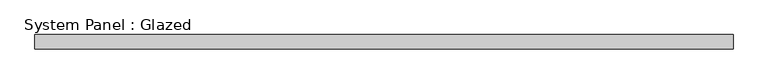
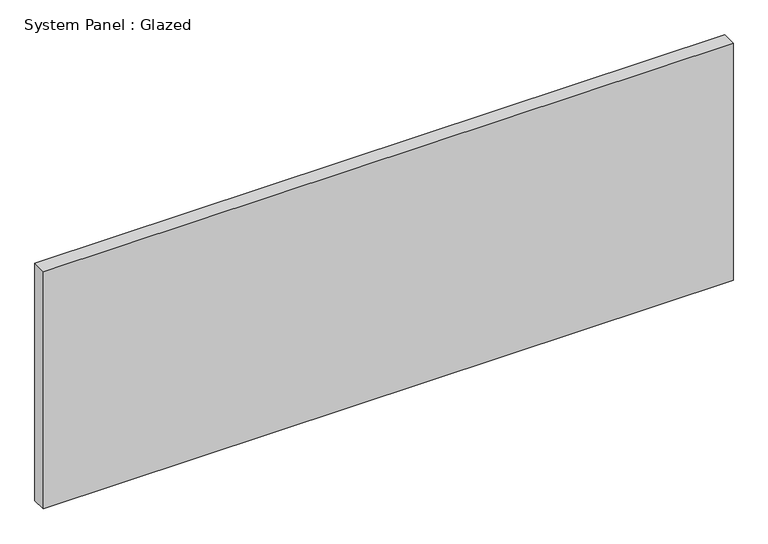
"""IFC4 building model written with IfcOpenShell, lengths in millimetres: plate geometry, System Panel : Glazed."""

from ifc_helpers import new_model, si_unit, origin, origin_with_axes, place, context, project, spatial, polyline, outline, extrude, source, transform, mapped, element, save


def system_panel_glazed_532d63c5(model_context):
    return source(origin(), model_context, "Body", "SweptSolid", [
        extrude(outline(polyline([(611.4840124, -12.7), (-611.4840124, -12.7), (-611.4840124, 12.7), (611.4840124, 12.7), (611.4840124, -12.7)])), origin_with_axes(), (0.0, 0.0, 1.0), 444.5),
    ])


if __name__ == "__main__":
    model = new_model("IFC4")
    model_context = context("Model", 3, world=origin())
    ifc_project = project(units=[si_unit("LENGTHUNIT", "METRE", prefix="MILLI")], contexts=[model_context])
    site = spatial("IfcSite", under=ifc_project)
    building = spatial("IfcBuilding", under=site)
    placement = place(None, origin())
    system_panel_glazed_shape = system_panel_glazed_532d63c5(model_context)
    element("IfcPlate", 1, ObjectType="System Panel : Glazed", at=placement, inside=building, context=model_context, shape_type="MappedRepresentation", body=[
        mapped(system_panel_glazed_shape, transform((0.0, 0.0, 0.0), x_axis=(1.0, 0.0, 0.0), y_axis=(0.0, 1.0, 0.0), z_axis=(0.0, 0.0, 1.0))),
    ])
    save(model, "model.ifc")
